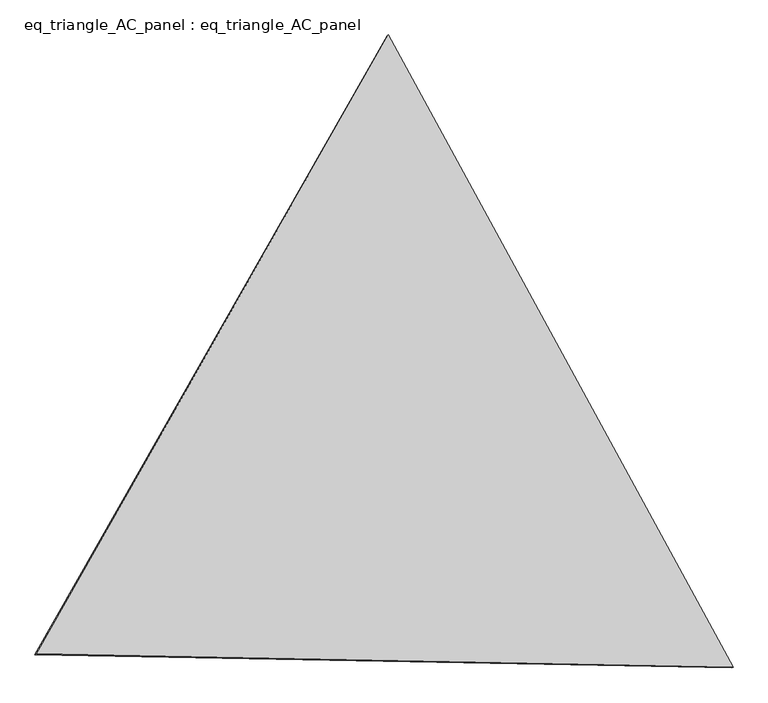
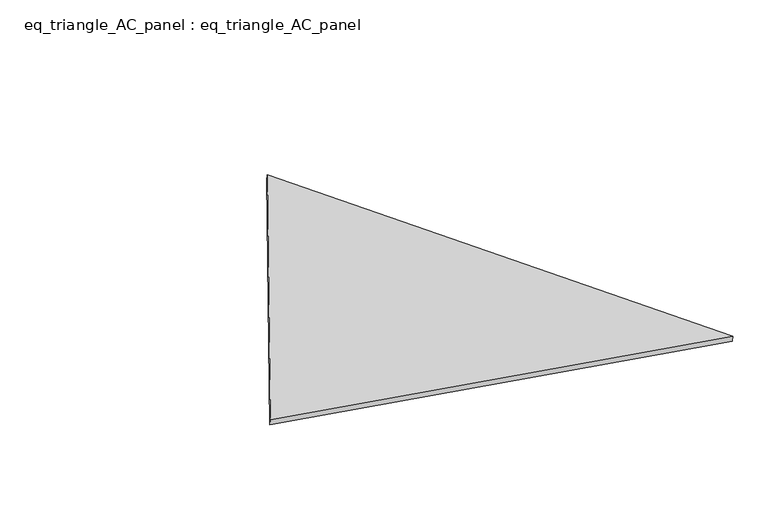
"""IFC4 building model written with IfcOpenShell, lengths in millimetres: proxy geometry, eq_triangle_AC_panel : eq_triangle_AC_panel."""

from ifc_helpers import new_model, si_unit, frame, origin, place, context, project, spatial, polyline, outline, extrude, source, transform, mapped, element, save


def eq_triangle_ac_panel_eq_triangle_ac_panel_c6d447c1(model_context):
    return source(origin(), model_context, "Body", "SweptSolid", [
        extrude(outline(polyline([(-2091.2842303, 1173.1700195), (2032.8306628, 1173.1700196), (58.4535673, -2346.3400391), (-2091.2842303, 1173.1700195)])), frame((0.0038051, 527.9290861, 89.8240019), z_axis=(0.14526328518058182, 0.083865702818022, 0.9858321976225894), x_axis=(0.4785849977998605, -0.8780313029550745, 0.0041750343617579224)), (0.0, 0.0, 1.0), 43.8306294),
    ])


if __name__ == "__main__":
    model = new_model("IFC4")
    model_context = context("Model", 3, world=origin())
    ifc_project = project(units=[si_unit("LENGTHUNIT", "METRE", prefix="MILLI")], contexts=[model_context])
    site = spatial("IfcSite", under=ifc_project)
    building = spatial("IfcBuilding", under=site)
    placement = place(None, origin())
    eq_triangle_ac_panel_eq_triangle_ac_panel_shape = eq_triangle_ac_panel_eq_triangle_ac_panel_c6d447c1(model_context)
    element("IfcBuildingElementProxy", 1, Name="eq_triangle_AC_panel : eq_triangle_AC_panel", ObjectType="eq_triangle_AC_panel : eq_triangle_AC_panel", at=placement, inside=building, context=model_context, shape_type="MappedRepresentation", body=[
        mapped(eq_triangle_ac_panel_eq_triangle_ac_panel_shape, transform((0.0, 0.0, 0.0), x_axis=(1.0, 0.0, 0.0), y_axis=(0.0, 1.0, 0.0), z_axis=(0.0, 0.0, 1.0))),
    ])
    save(model, "model.ifc")
